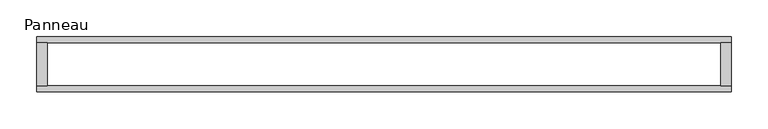
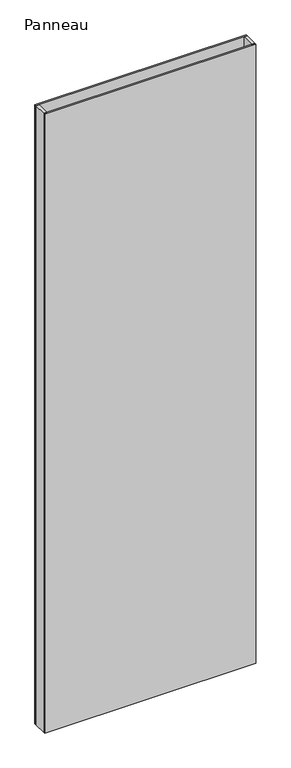
"""IFC4 building model written with IfcOpenShell, lengths in millimetres: plate geometry, Panneau."""

from ifc_helpers import new_model, si_unit, origin, origin_with_axes, place, context, project, spatial, polyline, outline, extrude, source, transform, mapped, element, save


def panneau_3fa67b78(model_context):
    return source(origin(), model_context, "Body", "SweptSolid", [
        extrude(outline(polyline([(-457.085358, 29.2), (-457.085358, -29.2), (-471.085358, -29.2), (-471.085358, 29.2), (-457.085358, 29.2)])), origin_with_axes(), (0.0, 0.0, 1.0), 2915.0),
        extrude(outline(polyline([(471.085358, 29.2), (471.085358, -29.2), (457.085358, -29.2), (457.085358, 29.2), (471.085358, 29.2)])), origin_with_axes(), (0.0, 0.0, 1.0), 2915.0),
        extrude(outline(polyline([(471.085358, 29.2), (-471.085358, 29.2), (-471.085358, 37.2), (471.085358, 37.2), (471.085358, 29.2)])), origin_with_axes(), (0.0, 0.0, 1.0), 2915.0),
        extrude(outline(polyline([(-471.085358, -37.2), (-471.085358, -29.2), (471.085358, -29.2), (471.085358, -37.2), (-471.085358, -37.2)])), origin_with_axes(), (0.0, 0.0, 1.0), 2915.0),
    ])


if __name__ == "__main__":
    model = new_model("IFC4")
    model_context = context("Model", 3, world=origin())
    ifc_project = project(units=[si_unit("LENGTHUNIT", "METRE", prefix="MILLI")], contexts=[model_context])
    site = spatial("IfcSite", under=ifc_project)
    building = spatial("IfcBuilding", under=site)
    placement = place(None, origin())
    panneau_shape = panneau_3fa67b78(model_context)
    element("IfcPlate", 1, ObjectType="Panneau", at=placement, inside=building, context=model_context, shape_type="MappedRepresentation", body=[
        mapped(panneau_shape, transform((0.0, 0.0, 0.0), x_axis=(1.0, 0.0, 0.0), y_axis=(0.0, 1.0, 0.0), z_axis=(0.0, 0.0, 1.0))),
    ])
    save(model, "model.ifc")
